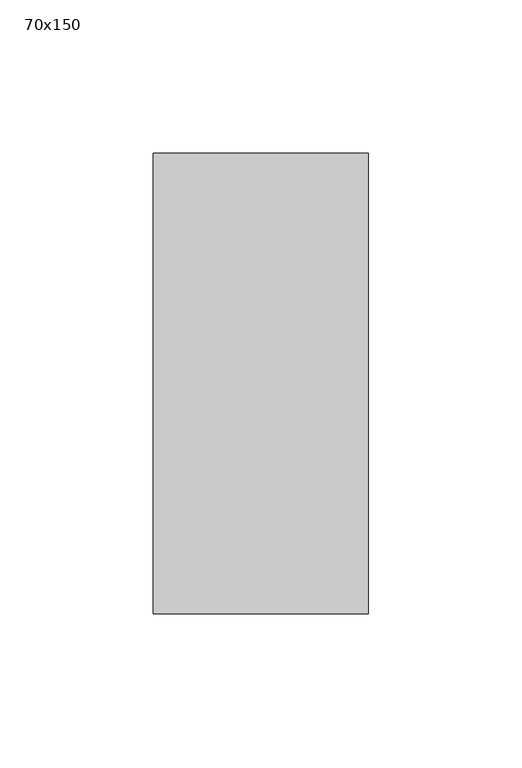
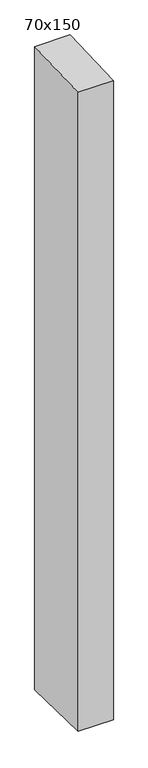
"""IFC4 building model written with IfcOpenShell, lengths in millimetres: member geometry, 70x150."""

from ifc_helpers import new_model, si_unit, frame, origin, place, context, project, spatial, polyline, outline, extrude, source, transform, mapped, element, save


def member_70x150_3ce9cfd5(model_context):
    return source(origin(), model_context, "Body", "SweptSolid", [
        extrude(outline(polyline([(-75.0, -2.8821383), (75.0, 2.8821383), (75.0, -1352.1108419), (-75.0, -1348.2941441), (-75.0, -2.8821383)])), frame((-70.0, 0.0, 0.0), z_axis=(1.0, 0.0, 0.0), x_axis=(0.0, 1.0, 0.0)), (0.0, 0.0, 1.0), 70.0),
    ])


if __name__ == "__main__":
    model = new_model("IFC4")
    model_context = context("Model", 3, world=origin())
    ifc_project = project(units=[si_unit("LENGTHUNIT", "METRE", prefix="MILLI")], contexts=[model_context])
    site = spatial("IfcSite", under=ifc_project)
    building = spatial("IfcBuilding", under=site)
    placement = place(None, origin())
    member_70x150_shape = member_70x150_3ce9cfd5(model_context)
    element("IfcMember", 1, ObjectType="70x150", at=placement, inside=building, context=model_context, shape_type="MappedRepresentation", body=[
        mapped(member_70x150_shape, transform((0.0, 0.0, 0.0), x_axis=(1.0, 0.0, 0.0), y_axis=(0.0, 1.0, 0.0), z_axis=(0.0, 0.0, 1.0))),
    ])
    save(model, "model.ifc")
